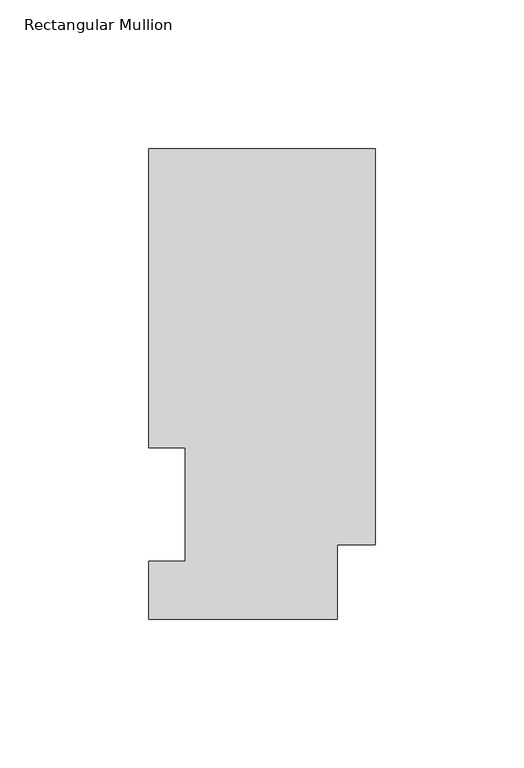
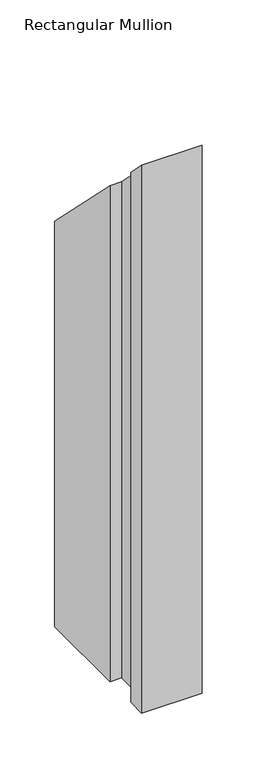
"""IFC4 building model written with IfcOpenShell, lengths in millimetres: member geometry, Rectangular Mullion."""

from ifc_helpers import new_model, si_unit, origin, place, context, project, spatial, faceted_brep, source, transform, mapped, element, save


def rectangular_mullion_22d08691(model_context):
    return source(origin(), model_context, "Body", "Brep", [
        faceted_brep([(0.0, 25.0832937, -609.6), (-12.7, 25.0832937, -609.6), (-12.7, 0.0134938, -609.6), (-76.2, 0.0134938, -609.6), (-76.2, 19.5460937, -609.6), (-63.8581605, 19.5460937, -609.6), (-63.8581605, 57.6460937, -609.6), (-76.2, 57.6460937, -609.6), (-76.2, 158.3316937, -609.6), (0.0, 158.3316937, -609.6), (0.0, 158.3316937, -158.3316937), (0.0, 25.0832937, -25.0832937), (-76.2, 158.3316937, -158.3316937), (-76.2, 57.6460937, -57.6460937), (-63.8581605, 57.6460938, -57.6460937), (-63.8581605, 19.5460937, -19.5460937), (-76.2, 19.5460937, -19.5460937), (-76.2, 0.0134938, -0.0134938), (-12.7, 0.0134938, -0.0134938), (-12.7, 25.0832937, -25.0832937)], [[[0, 1, 2, 3, 4, 5, 6, 7, 8, 9]], [[10, 11, 0, 9]], [[12, 10, 9, 8]], [[13, 12, 8, 7]], [[14, 13, 7, 6]], [[15, 14, 6, 5]], [[16, 15, 5, 4]], [[17, 16, 4, 3]], [[18, 17, 3, 2]], [[19, 18, 2, 1]], [[11, 19, 1, 0]], [[11, 10, 12, 13, 14, 15, 16, 17, 18, 19]]]),
    ])


if __name__ == "__main__":
    model = new_model("IFC4")
    model_context = context("Model", 3, world=origin())
    ifc_project = project(units=[si_unit("LENGTHUNIT", "METRE", prefix="MILLI")], contexts=[model_context])
    site = spatial("IfcSite", under=ifc_project)
    building = spatial("IfcBuilding", under=site)
    placement = place(None, origin())
    rectangular_mullion_shape = rectangular_mullion_22d08691(model_context)
    element("IfcMember", 1, ObjectType="Rectangular Mullion", at=placement, inside=building, context=model_context, shape_type="MappedRepresentation", body=[
        mapped(rectangular_mullion_shape, transform((0.0, 0.0, 0.0), x_axis=(1.0, 0.0, 0.0), y_axis=(0.0, 1.0, 0.0), z_axis=(0.0, 0.0, 1.0))),
    ])
    save(model, "model.ifc")
